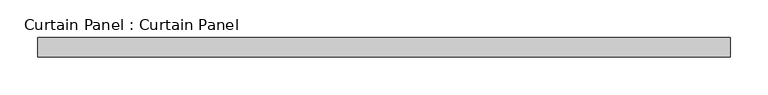
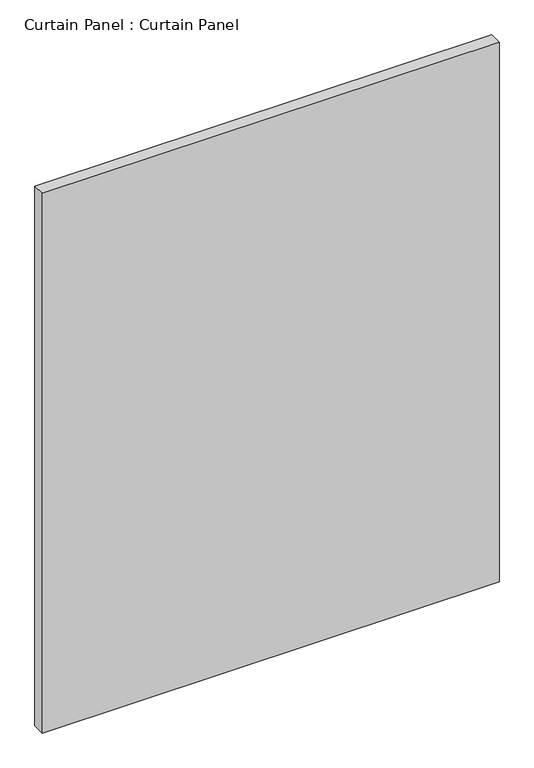
"""IFC4 building model written with IfcOpenShell, lengths in millimetres: plate geometry, Curtain Panel : Curtain Panel."""

from ifc_helpers import new_model, si_unit, frame, origin, place, context, project, spatial, polyline, outline, extrude, source, transform, mapped, element, save


def curtain_panel_curtain_panel_fdddbf5e(model_context):
    return source(origin(), model_context, "Body", "SweptSolid", [
        extrude(outline(polyline([(-38048.7444373, -1996.9602036), (-38963.1444373, -1996.9602036), (-38963.1444373, -1971.5602036), (-38048.7444373, -1971.5602036), (-38048.7444373, -1996.9602036)])), frame((0.0, 0.0, 1767.8274539), z_axis=(0.0, 0.0, 1.0), x_axis=(1.0, 0.0, 0.0)), (0.0, 0.0, 1.0), 1141.8462759),
    ])


if __name__ == "__main__":
    model = new_model("IFC4")
    model_context = context("Model", 3, world=origin())
    ifc_project = project(units=[si_unit("LENGTHUNIT", "METRE", prefix="MILLI")], contexts=[model_context])
    site = spatial("IfcSite", under=ifc_project)
    building = spatial("IfcBuilding", under=site)
    placement = place(None, origin())
    curtain_panel_curtain_panel_shape = curtain_panel_curtain_panel_fdddbf5e(model_context)
    element("IfcPlate", 1, ObjectType="Curtain Panel : Curtain Panel", at=placement, inside=building, context=model_context, shape_type="MappedRepresentation", body=[
        mapped(curtain_panel_curtain_panel_shape, transform((0.0, 0.0, 0.0), x_axis=(1.0, 0.0, 0.0), y_axis=(0.0, 1.0, 0.0), z_axis=(0.0, 0.0, 1.0))),
    ])
    save(model, "model.ifc")
